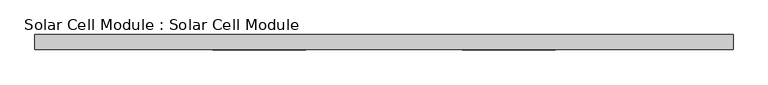
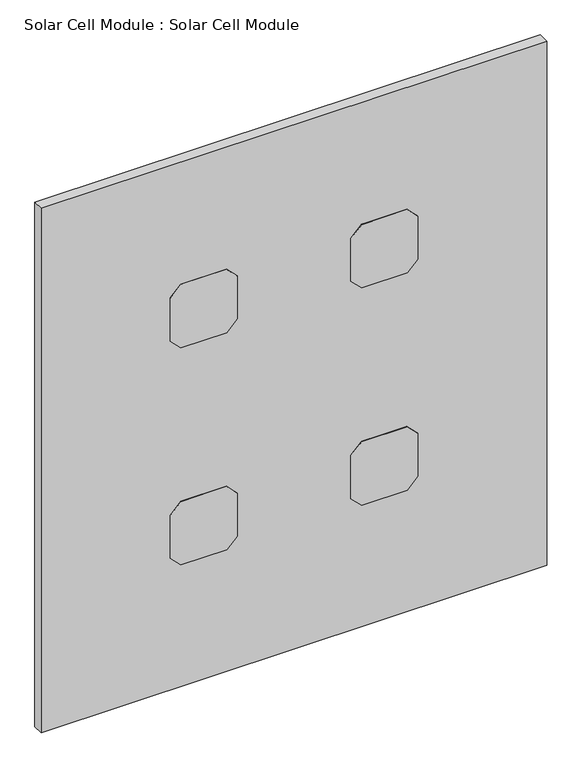
"""IFC4 building model written with IfcOpenShell, lengths in millimetres: plate geometry, Solar Cell Module : Solar Cell Module."""

from ifc_helpers import new_model, si_unit, frame, origin, origin_with_axes, place, context, project, spatial, polyline, outline, extrude, source, transform, mapped, element, save


def solar_cell_module_solar_cell_module_686dc1eb(model_context):
    return source(origin(), model_context, "Body", "SweptSolid", [
        extrude(outline(polyline([(834.3427185, 263.2378602), (859.3427185, 288.2378602), (965.3427185, 288.2378602), (990.3427185, 263.2378602), (990.3427185, 157.2378602), (965.3427185, 132.2378602), (859.3427185, 132.2378602), (834.3427185, 157.2378602), (834.3427185, 263.2378602)])), frame((0.0, -26.0, 0.0), z_axis=(0.0, 1.0, 0.0), x_axis=(0.0, 0.0, 1.0)), (0.0, 0.0, 1.0), 1.0),
        extrude(outline(polyline([(300.0, 263.2378602), (325.0, 288.2378602), (431.0, 288.2378602), (456.0, 263.2378602), (456.0, 157.2378602), (431.0, 132.2378602), (325.0, 132.2378602), (300.0, 157.2378602), (300.0, 263.2378602)])), frame((0.0, -26.0, 0.0), z_axis=(0.0, 1.0, 0.0), x_axis=(0.0, 0.0, 1.0)), (0.0, 0.0, 1.0), 1.0),
        extrude(outline(polyline([(834.3427185, -157.2378602), (859.3427185, -132.2378602), (965.3427185, -132.2378602), (990.3427185, -157.2378602), (990.3427185, -263.2378602), (965.3427185, -288.2378602), (859.3427185, -288.2378602), (834.3427185, -263.2378602), (834.3427185, -157.2378602)])), frame((0.0, -26.0, 0.0), z_axis=(0.0, 1.0, 0.0), x_axis=(0.0, 0.0, 1.0)), (0.0, 0.0, 1.0), 1.0),
        extrude(outline(polyline([(300.0, -157.2378602), (325.0, -132.2378602), (431.0, -132.2378602), (456.0, -157.2378602), (456.0, -263.2378602), (431.0, -288.2378602), (325.0, -288.2378602), (300.0, -263.2378602), (300.0, -157.2378602)])), frame((0.0, -26.0, 0.0), z_axis=(0.0, 1.0, 0.0), x_axis=(0.0, 0.0, 1.0)), (0.0, 0.0, 1.0), 1.0),
        extrude(outline(polyline([(588.2378602, -25.0), (-588.2378602, -25.0), (-588.2378602, 0.0), (588.2378602, 0.0), (588.2378602, -25.0)])), origin_with_axes(), (0.0, 0.0, 1.0), 1290.3427185),
    ])


if __name__ == "__main__":
    model = new_model("IFC4")
    model_context = context("Model", 3, world=origin())
    ifc_project = project(units=[si_unit("LENGTHUNIT", "METRE", prefix="MILLI")], contexts=[model_context])
    site = spatial("IfcSite", under=ifc_project)
    building = spatial("IfcBuilding", under=site)
    placement = place(None, origin())
    solar_cell_module_solar_cell_module_shape = solar_cell_module_solar_cell_module_686dc1eb(model_context)
    element("IfcPlate", 1, ObjectType="Solar Cell Module : Solar Cell Module", at=placement, inside=building, context=model_context, shape_type="MappedRepresentation", body=[
        mapped(solar_cell_module_solar_cell_module_shape, transform((0.0, 0.0, 0.0), x_axis=(1.0, 0.0, 0.0), y_axis=(0.0, 1.0, 0.0), z_axis=(0.0, 0.0, 1.0))),
    ])
    save(model, "model.ifc")
